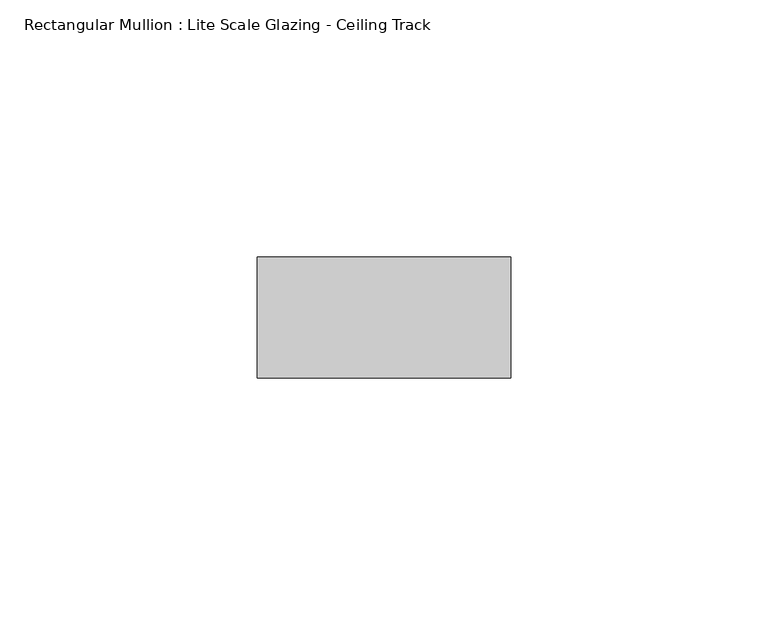
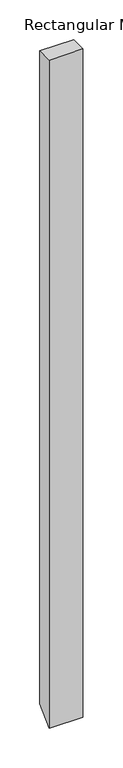
"""IFC4 building model written with IfcOpenShell, lengths in millimetres: member geometry, Rectangular Mullion : Lite Scale Glazing - Ceiling Track."""

from ifc_helpers import new_model, si_unit, frame, origin, place, context, project, spatial, polyline, outline, extrude, source, transform, mapped, element, save


def rectangular_mullion_lite_scale_glazing_ceiling_track_026adca5(model_context):
    return source(origin(), model_context, "Body", "SweptSolid", [
        extrude(outline(polyline([(-11.7474999, 0.0), (11.7474999, 0.0), (11.7474999, -1004.2525001), (-11.7474999, -1027.7474999), (-11.7474999, 0.0)])), frame((-49.276, 0.0, 0.0), z_axis=(1.0, 0.0, 0.0), x_axis=(0.0, 1.0, 0.0)), (0.0, 0.0, 1.0), 49.276),
    ])


if __name__ == "__main__":
    model = new_model("IFC4")
    model_context = context("Model", 3, world=origin())
    ifc_project = project(units=[si_unit("LENGTHUNIT", "METRE", prefix="MILLI")], contexts=[model_context])
    site = spatial("IfcSite", under=ifc_project)
    building = spatial("IfcBuilding", under=site)
    placement = place(None, origin())
    rectangular_mullion_lite_scale_glazing_ceiling_track_shape = rectangular_mullion_lite_scale_glazing_ceiling_track_026adca5(model_context)
    element("IfcMember", 1, ObjectType="Rectangular Mullion : Lite Scale Glazing - Ceiling Track", at=placement, inside=building, context=model_context, shape_type="MappedRepresentation", body=[
        mapped(rectangular_mullion_lite_scale_glazing_ceiling_track_shape, transform((0.0, 0.0, 0.0), x_axis=(1.0, 0.0, 0.0), y_axis=(0.0, 1.0, 0.0), z_axis=(0.0, 0.0, 1.0))),
    ])
    save(model, "model.ifc")
